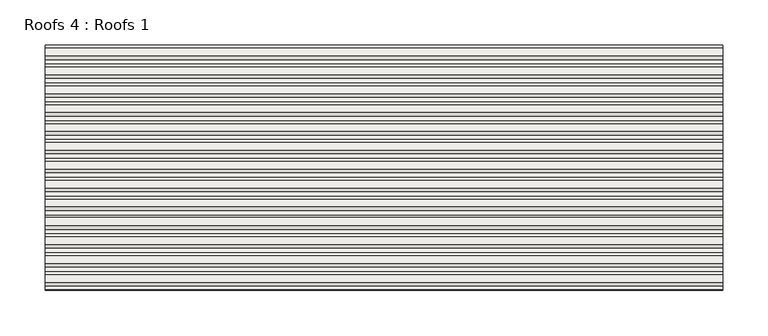
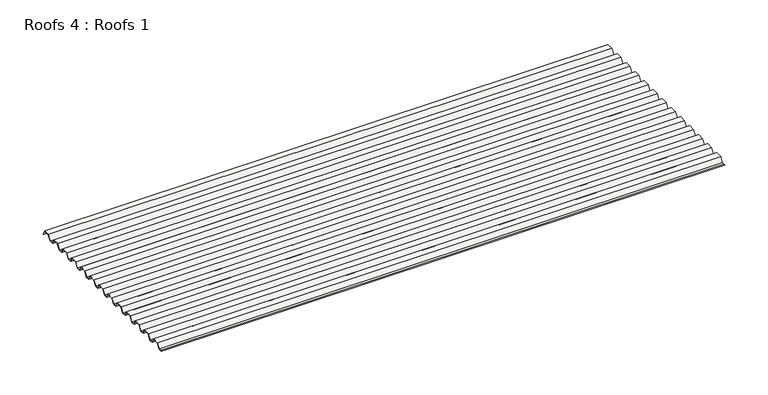
"""IFC4 building model written with IfcOpenShell, lengths in millimetres: roof geometry, Roofs 4 : Roofs 1."""

from ifc_helpers import new_model, si_unit, frame, origin, place, context, project, spatial, polyline, outline, extrude, source, transform, mapped, element, save


def roofs_4_roofs_1_7da22f99(model_context):
    return source(origin(), model_context, "Body", "SweptSolid", [
        extrude(outline(polyline([(-9498.8136811, 23.8967546), (-9504.1340331, 23.8967546), (-9502.6524582, 24.2936296), (-9499.0291486, 24.2936296), (-9494.907277, 30.639777), (-9486.2475422, 30.639777), (-9483.0145815, 24.2936296), (-9478.1529215, 24.2936296), (-9474.03105, 30.639777), (-9465.3713152, 30.639777), (-9462.1383544, 24.2936296), (-9457.2766945, 24.2936296), (-9453.1548229, 30.639777), (-9444.4950881, 30.639777), (-9441.2621273, 24.2936296), (-9436.4004674, 24.2936296), (-9432.2785958, 30.639777), (-9423.618861, 30.639777), (-9420.3859003, 24.2936296), (-9415.5242403, 24.2936296), (-9411.4023688, 30.639777), (-9402.742634, 30.639777), (-9399.5096732, 24.2936296), (-9394.6480132, 24.2936296), (-9390.5261417, 30.639777), (-9381.8664069, 30.639777), (-9378.6334461, 24.2936296), (-9373.7717862, 24.2936296), (-9369.6499146, 30.639777), (-9360.9901798, 30.639777), (-9357.7572191, 24.2936296), (-9352.8955591, 24.2936296), (-9348.7736876, 30.639777), (-9340.1139528, 30.639777), (-9336.880992, 24.2936296), (-9332.019332, 24.2936296), (-9327.8974605, 30.639777), (-9319.2377257, 30.639777), (-9316.0047649, 24.2936296), (-9311.143105, 24.2936296), (-9307.0212334, 30.639777), (-9298.3614986, 30.639777), (-9295.1285378, 24.2936296), (-9290.2668779, 24.2936296), (-9286.1450063, 30.639777), (-9277.4852716, 30.639777), (-9274.2523108, 24.2936296), (-9269.3906508, 24.2936296), (-9265.2687793, 30.639777), (-9256.6090445, 30.639777), (-9253.3760837, 24.2936296), (-9248.5144238, 24.2936296), (-9244.3925522, 30.639777), (-9235.7328174, 30.639777), (-9232.7757887, 24.8352711), (-9232.7430812, 23.8967546), (-9235.9760419, 30.242902), (-9244.1770848, 30.242902), (-9248.2989563, 23.8967546), (-9253.6193082, 23.8967546), (-9256.852269, 30.242902), (-9265.0533118, 30.242902), (-9269.1751834, 23.8967546), (-9274.4955353, 23.8967546), (-9277.7284961, 30.242902), (-9285.9295389, 30.242902), (-9290.0514104, 23.8967546), (-9295.3717624, 23.8967546), (-9298.6047232, 30.242902), (-9306.805766, 30.242902), (-9310.9276375, 23.8967546), (-9316.2479894, 23.8967546), (-9319.4809502, 30.242902), (-9327.681993, 30.242902), (-9331.8038646, 23.8967546), (-9337.1242165, 23.8967546), (-9340.3571773, 30.242902), (-9348.5582201, 30.242902), (-9352.6800917, 23.8967546), (-9358.0004436, 23.8967546), (-9361.2334044, 30.242902), (-9369.4344472, 30.242902), (-9373.5563187, 23.8967546), (-9378.8766707, 23.8967546), (-9382.1096314, 30.242902), (-9390.3106742, 30.242902), (-9394.4325458, 23.8967546), (-9399.7528977, 23.8967546), (-9402.9858585, 30.242902), (-9411.1869013, 30.242902), (-9415.3087729, 23.8967546), (-9420.6291248, 23.8967546), (-9423.8620856, 30.242902), (-9432.0631284, 30.242902), (-9436.1849999, 23.8967546), (-9441.5053519, 23.8967546), (-9444.7383126, 30.242902), (-9452.9393554, 30.242902), (-9457.061227, 23.8967546), (-9462.3815789, 23.8967546), (-9465.6145397, 30.242902), (-9473.8155825, 30.242902), (-9477.9374541, 23.8967546), (-9483.257806, 23.8967546), (-9486.4907668, 30.242902), (-9494.6918096, 30.242902), (-9498.8136811, 23.8967546)])), frame((-2537.9542149, 0.0, 0.0), z_axis=(1.0, 0.0, 0.0), x_axis=(0.0, 1.0, 0.0)), (0.0, 0.0, 1.0), 748.6255515),
    ])


if __name__ == "__main__":
    model = new_model("IFC4")
    model_context = context("Model", 3, world=origin())
    ifc_project = project(units=[si_unit("LENGTHUNIT", "METRE", prefix="MILLI")], contexts=[model_context])
    site = spatial("IfcSite", under=ifc_project)
    building = spatial("IfcBuilding", under=site)
    placement = place(None, origin())
    roofs_4_roofs_1_shape = roofs_4_roofs_1_7da22f99(model_context)
    element("IfcRoof", 1, ObjectType="Roofs 4 : Roofs 1", at=placement, inside=building, context=model_context, shape_type="MappedRepresentation", body=[
        mapped(roofs_4_roofs_1_shape, transform((0.0, 0.0, 0.0), x_axis=(1.0, 0.0, 0.0), y_axis=(0.0, 1.0, 0.0), z_axis=(0.0, 0.0, 1.0))),
    ])
    save(model, "model.ifc")
